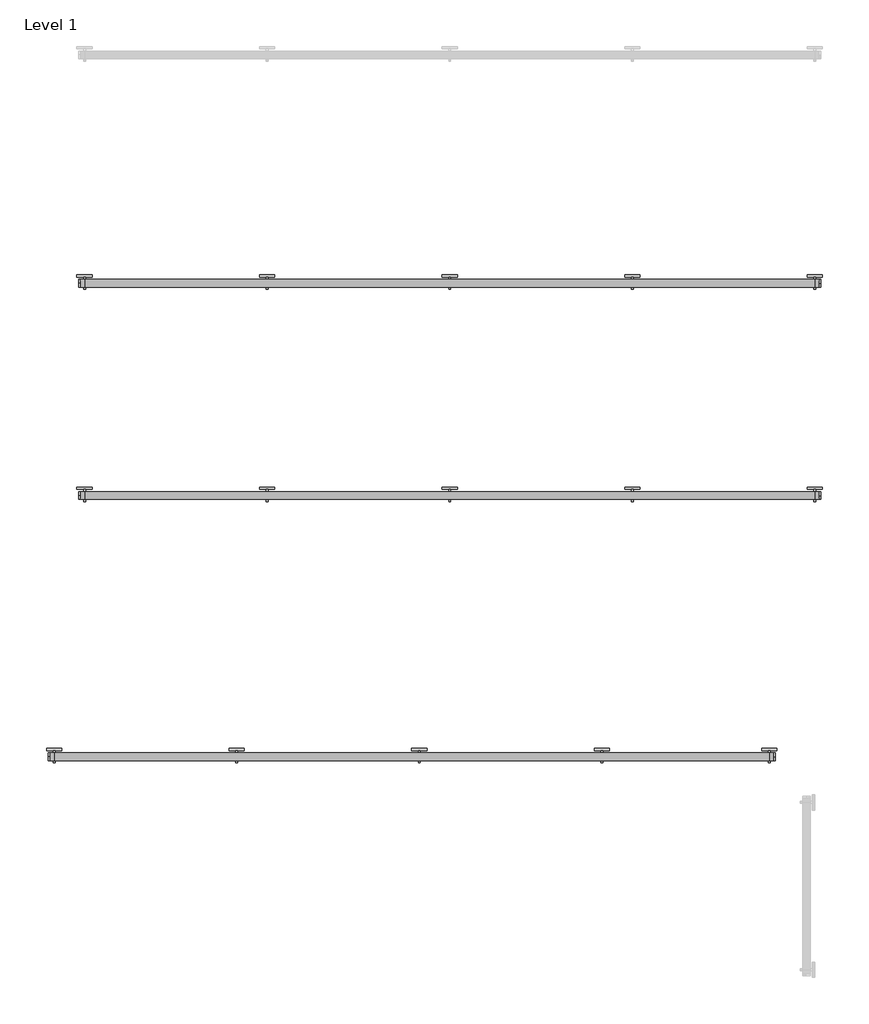
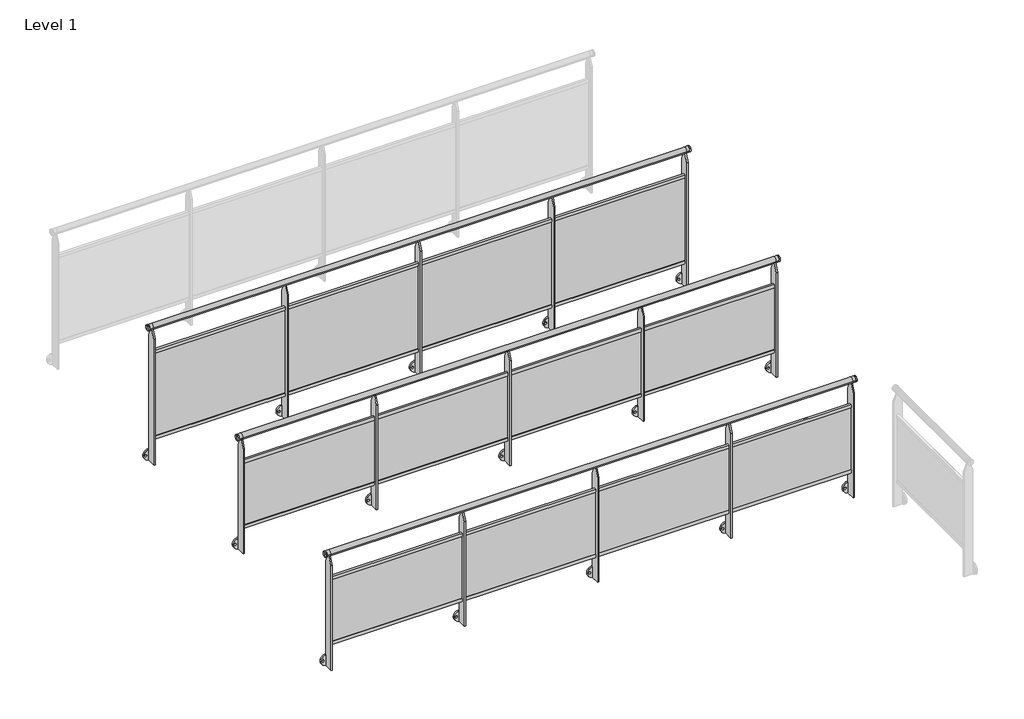
# One storey, part 1 of 14: 3 railings.
"""IFC4 building model written with IfcOpenShell, lengths in millimetres."""

import ifcopenshell
import ifcopenshell.guid

model = None  # the IFC model being written
_history = None  # IfcOwnerHistory: only IFC2X3 demands one
_inside = {}  # id of a spatial element -> (the spatial element, [elements in it])
_under = {}  # id of a project, library or spatial element -> (it, [spatial elements below it])
_declared = {}  # id of a project -> (the project, [libraries it declares])
_typed = {}  # id of a type object -> (the type object, [elements of that type])
_made_of = {}  # id of a material, layer set ... -> (it, [elements and type objects made of it])


def new_model(schema):
    """Start an empty IFC model of exactly this schema.

    Asked for "IFC4X3", IfcOpenShell would pick the latest addendum, in which some entities
    have other attributes; the version numbers below select the first issue.
    IFC2X3 requires an IfcOwnerHistory on every rooted entity: one is made here for all.
    """
    global model, _history
    if schema == "IFC4X3":
        model = ifcopenshell.file(schema_version=(4, 3, 0, 0))
    else:
        model = ifcopenshell.file(schema=schema)
    _inside.clear()
    _under.clear()
    _declared.clear()
    _typed.clear()
    _made_of.clear()
    _history = None
    if model.schema == "IFC2X3":
        org = make("IfcOrganization", Name="unknown")
        user = make(
            "IfcPersonAndOrganization",
            ThePerson=make("IfcPerson", FamilyName="unknown"),
            TheOrganization=org,
        )
        app = make(
            "IfcApplication",
            ApplicationDeveloper=org,
            Version="unknown",
            ApplicationFullName="unknown",
            ApplicationIdentifier="unknown",
        )
        _history = make(
            "IfcOwnerHistory",
            OwningUser=user,
            OwningApplication=app,
            ChangeAction="ADDED",
            CreationDate=0,
        )
    return model


def make(cls, **values):
    """One entity of the class cls with the attributes given. An attribute that is None is left unset."""
    return model.create_entity(
        cls, **{name: value for name, value in values.items() if value is not None}
    )


def rooted(cls, **values):
    """An entity with a GlobalId (a new one), such as an element, a storey or a relation."""
    return make(cls, GlobalId=ifcopenshell.guid.new(), OwnerHistory=_history, **values)


def si_unit(unit_type, name, prefix=None):
    """IfcSIUnit, for example si_unit("LENGTHUNIT", "METRE", prefix="MILLI")."""
    return make("IfcSIUnit", UnitType=unit_type, Prefix=prefix, Name=name)


def assignment(units):
    """IfcUnitAssignment: the units of a project."""
    return None if units is None else make("IfcUnitAssignment", Units=units)


def point(xyz):
    """IfcCartesianPoint."""
    return None if xyz is None else make("IfcCartesianPoint", Coordinates=xyz)


def direction(xyz):
    """IfcDirection."""
    return None if xyz is None else make("IfcDirection", DirectionRatios=xyz)


def frame(location, z_axis=None, x_axis=None):
    """IfcAxis2Placement3D, a coordinate frame: its origin and axes. An axis left out is left unset."""
    return make(
        "IfcAxis2Placement3D",
        Location=point(location),
        Axis=direction(z_axis),
        RefDirection=direction(x_axis),
    )


def frame_2d(location, x_axis=None):
    """IfcAxis2Placement2D, a coordinate frame in the plane: its origin and x axis."""
    return make(
        "IfcAxis2Placement2D", Location=point(location), RefDirection=direction(x_axis)
    )


def origin():
    """The frame at (0, 0, 0) with its axes left unset."""
    return frame((0.0, 0.0, 0.0))


def place(relative_to, where):
    """IfcLocalPlacement: puts the frame where relative to a parent placement (None: the world)."""
    return make(
        "IfcLocalPlacement", PlacementRelTo=relative_to, RelativePlacement=where
    )


def context(
    kind, dimensions, precision=None, world=None, true_north=None, identifier=None
):
    """IfcGeometricRepresentationContext, for example the 3D "Model" context."""
    return make(
        "IfcGeometricRepresentationContext",
        ContextIdentifier=identifier,
        ContextType=kind,
        CoordinateSpaceDimension=dimensions,
        Precision=precision,
        WorldCoordinateSystem=world,
        TrueNorth=true_north,
    )


def project(units=None, contexts=None):
    """IfcProject with its units and contexts."""
    return rooted(
        "IfcProject",
        Name="project",
        RepresentationContexts=contexts,
        UnitsInContext=assignment(units),
    )


def spatial(cls, under=None, at=None, **own):
    """A site, building, storey or space (cls), placed at a placement, below another one or the project."""
    s = rooted(cls, ObjectPlacement=at, **own)
    if under is not None:
        _under.setdefault(under.id(), (under, []))[1].append(s)
    return s


def polyline(points):
    """IfcPolyline through the points."""
    return make("IfcPolyline", Points=[point(p) for p in points])


def circle_curve(where, radius):
    """IfcCircle in the frame where."""
    return make("IfcCircle", Position=where, Radius=radius)


def trimmed(basis, trim1, trim2, sense, master):
    """IfcTrimmedCurve: the piece of a basis curve between two trims."""
    return make(
        "IfcTrimmedCurve",
        BasisCurve=basis,
        Trim1=trim1,
        Trim2=trim2,
        SenseAgreement=sense,
        MasterRepresentation=master,
    )


def segment(curve, same_sense, transition):
    """IfcCompositeCurveSegment."""
    return make(
        "IfcCompositeCurveSegment",
        Transition=transition,
        SameSense=same_sense,
        ParentCurve=curve,
    )


def composite_curve(segments, self_intersect=None):
    """IfcCompositeCurve: segments joined end to end."""
    return make("IfcCompositeCurve", Segments=segments, SelfIntersect=self_intersect)


def outline(outer, holes=None, kind="AREA"):
    """IfcArbitraryClosedProfileDef: a profile drawn as a closed curve; with holes, ...WithVoids."""
    if holes is None:
        return make("IfcArbitraryClosedProfileDef", ProfileType=kind, OuterCurve=outer)
    return make(
        "IfcArbitraryProfileDefWithVoids",
        ProfileType=kind,
        OuterCurve=outer,
        InnerCurves=holes,
    )


def extrude(swept, where, along, depth):
    """IfcExtrudedAreaSolid: the profile swept, set in the frame where, extruded along a direction by depth."""
    return make(
        "IfcExtrudedAreaSolid",
        SweptArea=swept,
        Position=where,
        ExtrudedDirection=direction(along),
        Depth=depth,
    )


def shape(context_of_items, identifier, shape_type, items):
    """IfcShapeRepresentation: the items that make up one representation, for example the "Body"."""
    return make(
        "IfcShapeRepresentation",
        ContextOfItems=context_of_items,
        RepresentationIdentifier=identifier,
        RepresentationType=shape_type,
        Items=items,
    )


def made_of(thing, what):
    """Note that an element or type object is made of a material, layer set ...; save() writes the relation."""
    if what is not None:
        _made_of.setdefault(what.id(), (what, []))[1].append(thing)
    return thing


def element(
    cls,
    number,
    at=None,
    inside=None,
    cuts=None,
    type_object=None,
    material=None,
    context=None,
    identifier="Body",
    shape_type=None,
    held_by="IfcProductDefinitionShape",
    body=None,
    shapes=None,
    **own,
):
    """One element of the class cls, such as IfcWall. Its Tag is "e" and its number.

    at: its placement. inside: the storey or other place that contains it. cuts: it is an
    opening in that element (IfcRelVoidsElement). A single representation is given by context,
    identifier, shape_type and body (its items); several are given by shapes. held_by: the class
    of the entity that holds the representations. save() writes the other relations.
    """
    e = rooted(cls, Tag="e%d" % number, ObjectPlacement=at, **own)
    if body is not None:
        shapes = [shape(context, identifier, shape_type, body)]
    if shapes is not None:
        e.Representation = make(held_by, Representations=shapes)
    if inside is not None:
        _inside.setdefault(inside.id(), (inside, []))[1].append(e)
    if cuts is not None:
        rooted(
            "IfcRelVoidsElement", RelatingBuildingElement=cuts, RelatedOpeningElement=e
        )
    if type_object is not None:
        _typed.setdefault(type_object.id(), (type_object, []))[1].append(e)
    return made_of(e, material)


def aggregate(whole, parts):
    """IfcRelAggregates: a whole, such as a stair, and the parts it consists of."""
    return rooted("IfcRelAggregates", RelatingObject=whole, RelatedObjects=parts)


def save(model, path):
    """Write the relations noted so far, then the file.

    IfcRelAggregates (storeys below a building ...), IfcRelContainedInSpatialStructure (elements
    in a storey), IfcRelDefinesByType, IfcRelAssociatesMaterial and IfcRelDeclares: one each for
    every whole, place, type object, material and project.
    """
    for whole, parts in _under.values():
        aggregate(whole, parts)
    for where, things in _inside.values():
        rooted(
            "IfcRelContainedInSpatialStructure",
            RelatedElements=things,
            RelatingStructure=where,
        )
    for kind, things in _typed.values():
        rooted("IfcRelDefinesByType", RelatedObjects=things, RelatingType=kind)
    for what, things in _made_of.values():
        rooted("IfcRelAssociatesMaterial", RelatedObjects=things, RelatingMaterial=what)
    for by, libraries in _declared.values():
        rooted("IfcRelDeclares", RelatingContext=by, RelatedDefinitions=libraries)
    model.write(path)


def plane_surface(at):
    """IfcPlane: the flat surface through the origin of the frame at, square to its z axis."""
    return make("IfcPlane", Position=at)


def cylinder_surface(at, radius):
    """IfcCylindricalSurface: all points at the distance radius from the z axis of the frame at."""
    return make("IfcCylindricalSurface", Position=at, Radius=radius)


def advanced_brep(points, edges, surfaces, faces):
    """IfcAdvancedBrep: a solid bounded by faces that lie on surfaces and meet in shared edges.

    An edge is (start, end): straight between two places in points (the first is 0);
    or (start, end, curve); or (start, end, curve, False) where it runs against its curve.
    A face is (place in surfaces, loops), or (place, loops, False) where it looks against
    its surface's normal. A loop lists edges by number (the first is 1), with a minus sign
    where the edge is run from its end to its start. The first loop is the outer one.
    """
    corners = [point(p) for p in points]
    vertices = [make("IfcVertexPoint", VertexGeometry=c) for c in corners]
    made = []
    for start, end, *more in edges:
        made.append(
            make(
                "IfcEdgeCurve",
                EdgeStart=vertices[start],
                EdgeEnd=vertices[end],
                EdgeGeometry=more[0] if more else make("IfcPolyline", Points=[corners[start], corners[end]]),
                SameSense=more[1] if len(more) > 1 else True,
            )
        )
    hull = []
    for where, loops, *sense in faces:
        bounds = []
        for j, loop in enumerate(loops):
            ring = [make("IfcOrientedEdge", EdgeElement=made[abs(k) - 1], Orientation=k > 0) for k in loop]
            bounds.append(
                make(
                    "IfcFaceOuterBound" if j == 0 else "IfcFaceBound",
                    Bound=make("IfcEdgeLoop", EdgeList=ring),
                    Orientation=True,
                )
            )
        hull.append(make("IfcAdvancedFace", Bounds=bounds, FaceSurface=surfaces[where], SameSense=sense[0] if sense else True))
    return make("IfcAdvancedBrep", Outer=make("IfcClosedShell", CfsFaces=hull))


model = new_model("IFC4")

# Units and contexts
model_context = context("Model", 3, world=origin())
ifc_project = project(units=[si_unit("LENGTHUNIT", "METRE", prefix="MILLI")], contexts=[model_context])

# Site, building, storey
site = spatial("IfcSite", under=ifc_project)
building = spatial("IfcBuilding", under=site)
storey = spatial("IfcBuildingStorey", under=building, Name="Level 1", Elevation=0.0)

# Railings
placement = place(None, origin())
element("IfcRailing", 1, at=placement, inside=storey, context=model_context, shape_type="SolidModel", body=[
    advanced_brep(
    [(31890.6479588, -13220.9587227, 975.0), (31890.6479588, -13220.9587227, 1000.0), (31890.6479588, -13220.9587227, 950.0), (31900.6479588, -13220.9587227, 950.0), (31900.6479588, -13220.9587227, 1000.0), (31900.6479588, -13220.9587227, 975.0)],
    [
        (0, 1),
        (1, 2, circle_curve(frame((31890.6479588, -13220.9587227, 975.0), z_axis=(-1.0, 0.0, 0.0), x_axis=(0.0, 0.0, 1.0)), 25.0)),
        (2, 0),
        (2, 1, circle_curve(frame((31890.6479588, -13220.9587227, 975.0), z_axis=(-1.0, 0.0, 0.0), x_axis=(0.0, 0.0, 1.0)), 25.0)),
        (3, 4, circle_curve(frame((31900.6479588, -13220.9587227, 975.0), z_axis=(1.0, 0.0, 0.0), x_axis=(0.0, 0.0, 1.0)), 25.0)),
        (4, 5),
        (5, 3),
        (4, 3, circle_curve(frame((31900.6479588, -13220.9587227, 975.0), z_axis=(1.0, 0.0, 0.0), x_axis=(0.0, 0.0, 1.0)), 25.0)),
        (1, 4),
        (3, 2),
    ],
    [
        plane_surface(frame((31890.6479588, -13220.9587227, 975.0), z_axis=(-1.0, 0.0, 0.0), x_axis=(0.0, 0.0, 1.0))),
        plane_surface(frame((31900.6479588, -13220.9587227, 975.0), z_axis=(1.0, 0.0, 0.0), x_axis=(0.0, 0.0, 1.0))),
        cylinder_surface(frame((31875.6479588, -13220.9587227, 975.0), z_axis=(-1.0, 0.0, 0.0), x_axis=(0.0, 0.0, 1.0)), 25.0),
    ],
    [
        (0, [[1, 2, 3]]),
        (0, [[-3, 4, -1]]),
        (1, [[5, 6, 7]]),
        (1, [[8, -7, -6]]),
        (2, [[-2, 9, -5, 10]]),
        (2, [[-4, -10, -8, -9]]),
    ],
),
    advanced_brep(
    [(27130.6479588, -13220.9587227, 975.0), (27130.6479588, -13220.9587227, 1000.0), (27130.6479588, -13220.9587227, 950.0), (27120.6479588, -13220.9587227, 950.0), (27120.6479588, -13220.9587227, 1000.0), (27120.6479588, -13220.9587227, 975.0)],
    [
        (0, 1),
        (1, 2, circle_curve(frame((27130.6479588, -13220.9587227, 975.0), z_axis=(1.0, 0.0, 0.0), x_axis=(0.0, 0.0, 1.0)), 25.0)),
        (2, 0),
        (2, 1, circle_curve(frame((27130.6479588, -13220.9587227, 975.0), z_axis=(1.0, 0.0, 0.0), x_axis=(0.0, 0.0, 1.0)), 25.0)),
        (3, 4, circle_curve(frame((27120.6479588, -13220.9587227, 975.0), z_axis=(-1.0, 0.0, 0.0), x_axis=(0.0, 0.0, 1.0)), 25.0)),
        (4, 5),
        (5, 3),
        (4, 3, circle_curve(frame((27120.6479588, -13220.9587227, 975.0), z_axis=(-1.0, 0.0, 0.0), x_axis=(0.0, 0.0, 1.0)), 25.0)),
        (1, 4),
        (3, 2),
    ],
    [
        plane_surface(frame((27130.6479588, -13220.9587227, 975.0), z_axis=(1.0, 0.0, 0.0), x_axis=(0.0, 0.0, 1.0))),
        plane_surface(frame((27120.6479588, -13220.9587227, 975.0), z_axis=(-1.0, 0.0, 0.0), x_axis=(0.0, 0.0, 1.0))),
        cylinder_surface(frame((27145.6479588, -13220.9587227, 975.0), z_axis=(1.0, 0.0, 0.0), x_axis=(0.0, 0.0, 1.0)), 25.0),
    ],
    [
        (0, [[1, 2, 3]]),
        (0, [[-3, 4, -1]]),
        (1, [[5, 6, 7]]),
        (1, [[8, -7, -6]]),
        (2, [[-2, 9, -5, 10]]),
        (2, [[-4, -10, -8, -9]]),
    ],
),
    advanced_brep(
    [(27130.6479588, -13245.9587227, 975.0), (27130.6479588, -13195.9587227, 975.0), (27160.6479588, -13245.9587227, 975.0), (27160.6479588, -13195.9587227, 975.0), (31860.6479588, -13245.9587227, 975.0), (31860.6479588, -13195.9587227, 975.0), (31890.6479588, -13245.9587227, 975.0), (31890.6479588, -13195.9587227, 975.0)],
    [
        (0, 1, circle_curve(frame((27130.6479588, -13220.9587227, 975.0), z_axis=(-1.0, 0.0, 0.0), x_axis=(0.0, 1.0, 0.0)), 25.0)),
        (1, 0, circle_curve(frame((27130.6479588, -13220.9587227, 975.0), z_axis=(-1.0, 0.0, 0.0), x_axis=(0.0, 1.0, 0.0)), 25.0)),
        (0, 2),
        (2, 3, circle_curve(frame((27160.6479588, -13220.9587227, 975.0), z_axis=(-1.0, 0.0, 0.0), x_axis=(0.0, 1.0, 0.0)), 25.0)),
        (3, 1),
        (3, 2, circle_curve(frame((27160.6479588, -13220.9587227, 975.0), z_axis=(-1.0, 0.0, 0.0), x_axis=(0.0, 1.0, 0.0)), 25.0)),
        (2, 4),
        (4, 5, circle_curve(frame((31860.6479588, -13220.9587227, 975.0), z_axis=(-1.0, 0.0, 0.0), x_axis=(0.0, 1.0, 0.0)), 25.0)),
        (5, 3),
        (5, 4, circle_curve(frame((31860.6479588, -13220.9587227, 975.0), z_axis=(-1.0, 0.0, 0.0), x_axis=(0.0, 1.0, 0.0)), 25.0)),
        (6, 7, circle_curve(frame((31890.6479588, -13220.9587227, 975.0), z_axis=(1.0, 0.0, 0.0), x_axis=(0.0, 1.0, 0.0)), 25.0)),
        (7, 6, circle_curve(frame((31890.6479588, -13220.9587227, 975.0), z_axis=(1.0, 0.0, 0.0), x_axis=(0.0, 1.0, 0.0)), 25.0)),
        (4, 6),
        (7, 5),
    ],
    [
        plane_surface(frame((27130.6479588, -13220.9587227, 1000.0), z_axis=(-1.0, 0.0, 0.0), x_axis=(0.0, 1.0, 0.0))),
        cylinder_surface(frame((27130.6479588, -13220.9587227, 975.0), z_axis=(-1.0, 0.0, 0.0), x_axis=(0.0, 1.0, 0.0)), 25.0),
        cylinder_surface(frame((27160.6479588, -13220.9587227, 975.0), z_axis=(-1.0, 0.0, 0.0), x_axis=(0.0, 1.0, 0.0)), 25.0),
        plane_surface(frame((31890.6479588, -13220.9587227, 1000.0), z_axis=(1.0, 0.0, 0.0), x_axis=(0.0, 1.0, 0.0))),
        cylinder_surface(frame((31860.6479588, -13220.9587227, 975.0), z_axis=(-1.0, 0.0, 0.0), x_axis=(0.0, 1.0, 0.0)), 25.0),
    ],
    [
        (0, [[1, 2]]),
        (1, [[-1, 3, 4, 5]]),
        (1, [[-2, -5, 6, -3]]),
        (2, [[-4, 7, 8, 9]]),
        (2, [[-6, -9, 10, -7]]),
        (3, [[11, 12]]),
        (4, [[-8, 13, -12, 14]]),
        (4, [[-10, -14, -11, -13]]),
    ],
),
    extrude(outline(polyline([(-13233.9587227, 750.0), (-13213.9587227, 750.0), (-13213.9587227, 720.0), (-13216.9587227, 720.0), (-13216.9587227, 747.0), (-13230.9587227, 747.0), (-13230.9587227, 720.0), (-13233.9587227, 720.0), (-13233.9587227, 750.0)])), frame((27160.6479588, 0.0, 0.0), z_axis=(1.0, 0.0, 0.0), x_axis=(0.0, 1.0, 0.0)), (0.0, 0.0, 1.0), 4700.0),
    extrude(outline(polyline([(27160.6479588, -13227.9587227), (27160.6479588, -13219.9587227), (31860.6479588, -13219.9587227), (31860.6479588, -13227.9587227), (27160.6479588, -13227.9587227)])), frame((0.0, 0.0, 130.0), z_axis=(0.0, 0.0, 1.0), x_axis=(1.0, 0.0, 0.0)), (0.0, 0.0, 1.0), 590.0),
    extrude(outline(polyline([(-13233.9587227, 100.0), (-13233.9587227, 130.0), (-13230.9587227, 130.0), (-13230.9587227, 103.0), (-13216.9587227, 103.0), (-13216.9587227, 130.0), (-13213.9587227, 130.0), (-13213.9587227, 100.0), (-13233.9587227, 100.0)])), frame((27160.6479588, 0.0, 0.0), z_axis=(1.0, 0.0, 0.0), x_axis=(0.0, 1.0, 0.0)), (0.0, 0.0, 1.0), 4700.0),
    extrude(outline(polyline([(-13260.9587227, -120.0), (-13260.9587227, 875.0), (-13230.9587227, 950.0), (-13210.9587227, 950.0), (-13180.9587227, 875.0), (-13180.9587227, -120.0), (-13260.9587227, -120.0)])), frame((30754.6479588, 0.0, 0.0), z_axis=(1.0, 0.0, 0.0), x_axis=(0.0, 1.0, 0.0)), (0.0, 0.0, 1.0), 12.0),
    extrude(outline(composite_curve([segment(trimmed(circle_curve(frame_2d((-70.0, 30760.6479588)), 50.0), [point((-70.0, 30810.6479588))], [point((-70.0, 30710.6479588))], False, "CARTESIAN"), True, "CONTINUOUS"), segment(trimmed(circle_curve(frame_2d((-70.0, 30760.6479588)), 50.0), [point((-70.0, 30710.6479588))], [point((-70.0, 30810.6479588))], False, "CARTESIAN"), True, "CONTINUOUS")], self_intersect=False), holes=[composite_curve([segment(trimmed(circle_curve(frame_2d((-70.0, 30791.6479588)), 9.0), [point((-70.0, 30800.6479588))], [point((-70.0, 30782.6479588))], True, "CARTESIAN"), True, "CONTINUOUS"), segment(trimmed(circle_curve(frame_2d((-70.0, 30791.6479588)), 9.0), [point((-70.0, 30782.6479588))], [point((-70.0, 30800.6479588))], True, "CARTESIAN"), True, "CONTINUOUS")], self_intersect=False), composite_curve([segment(trimmed(circle_curve(frame_2d((-70.0, 30729.6479588)), 9.0), [point((-70.0, 30738.6479588))], [point((-70.0, 30720.6479588))], True, "CARTESIAN"), True, "CONTINUOUS"), segment(trimmed(circle_curve(frame_2d((-70.0, 30729.6479588)), 9.0), [point((-70.0, 30720.6479588))], [point((-70.0, 30738.6479588))], True, "CARTESIAN"), True, "CONTINUOUS")], self_intersect=False)]), frame((0.0, -13180.9587227, 0.0), z_axis=(0.0, 1.0, 0.0), x_axis=(0.0, 0.0, 1.0)), (0.0, 0.0, 1.0), 15.0),
    extrude(outline(polyline([(-13260.9587227, -120.0), (-13260.9587227, 875.0), (-13230.9587227, 950.0), (-13210.9587227, 950.0), (-13180.9587227, 875.0), (-13180.9587227, -120.0), (-13260.9587227, -120.0)])), frame((29554.6479588, 0.0, 0.0), z_axis=(1.0, 0.0, 0.0), x_axis=(0.0, 1.0, 0.0)), (0.0, 0.0, 1.0), 12.0),
    extrude(outline(composite_curve([segment(trimmed(circle_curve(frame_2d((-70.0, 29560.6479588)), 50.0), [point((-70.0, 29610.6479588))], [point((-70.0, 29510.6479588))], False, "CARTESIAN"), True, "CONTINUOUS"), segment(trimmed(circle_curve(frame_2d((-70.0, 29560.6479588)), 50.0), [point((-70.0, 29510.6479588))], [point((-70.0, 29610.6479588))], False, "CARTESIAN"), True, "CONTINUOUS")], self_intersect=False), holes=[composite_curve([segment(trimmed(circle_curve(frame_2d((-70.0, 29591.6479588)), 9.0), [point((-70.0, 29600.6479588))], [point((-70.0, 29582.6479588))], True, "CARTESIAN"), True, "CONTINUOUS"), segment(trimmed(circle_curve(frame_2d((-70.0, 29591.6479588)), 9.0), [point((-70.0, 29582.6479588))], [point((-70.0, 29600.6479588))], True, "CARTESIAN"), True, "CONTINUOUS")], self_intersect=False), composite_curve([segment(trimmed(circle_curve(frame_2d((-70.0, 29529.6479588)), 9.0), [point((-70.0, 29538.6479588))], [point((-70.0, 29520.6479588))], True, "CARTESIAN"), True, "CONTINUOUS"), segment(trimmed(circle_curve(frame_2d((-70.0, 29529.6479588)), 9.0), [point((-70.0, 29520.6479588))], [point((-70.0, 29538.6479588))], True, "CARTESIAN"), True, "CONTINUOUS")], self_intersect=False)]), frame((0.0, -13180.9587227, 0.0), z_axis=(0.0, 1.0, 0.0), x_axis=(0.0, 0.0, 1.0)), (0.0, 0.0, 1.0), 15.0),
    extrude(outline(polyline([(-13260.9587227, -120.0), (-13260.9587227, 875.0), (-13230.9587227, 950.0), (-13210.9587227, 950.0), (-13180.9587227, 875.0), (-13180.9587227, -120.0), (-13260.9587227, -120.0)])), frame((28354.6479588, 0.0, 0.0), z_axis=(1.0, 0.0, 0.0), x_axis=(0.0, 1.0, 0.0)), (0.0, 0.0, 1.0), 12.0),
    extrude(outline(composite_curve([segment(trimmed(circle_curve(frame_2d((-70.0, 28360.6479588)), 50.0), [point((-70.0, 28410.6479588))], [point((-70.0, 28310.6479588))], False, "CARTESIAN"), True, "CONTINUOUS"), segment(trimmed(circle_curve(frame_2d((-70.0, 28360.6479588)), 50.0), [point((-70.0, 28310.6479588))], [point((-70.0, 28410.6479588))], False, "CARTESIAN"), True, "CONTINUOUS")], self_intersect=False), holes=[composite_curve([segment(trimmed(circle_curve(frame_2d((-70.0, 28391.6479588)), 9.0), [point((-70.0, 28400.6479588))], [point((-70.0, 28382.6479588))], True, "CARTESIAN"), True, "CONTINUOUS"), segment(trimmed(circle_curve(frame_2d((-70.0, 28391.6479588)), 9.0), [point((-70.0, 28382.6479588))], [point((-70.0, 28400.6479588))], True, "CARTESIAN"), True, "CONTINUOUS")], self_intersect=False), composite_curve([segment(trimmed(circle_curve(frame_2d((-70.0, 28329.6479588)), 9.0), [point((-70.0, 28338.6479588))], [point((-70.0, 28320.6479588))], True, "CARTESIAN"), True, "CONTINUOUS"), segment(trimmed(circle_curve(frame_2d((-70.0, 28329.6479588)), 9.0), [point((-70.0, 28320.6479588))], [point((-70.0, 28338.6479588))], True, "CARTESIAN"), True, "CONTINUOUS")], self_intersect=False)]), frame((0.0, -13180.9587227, 0.0), z_axis=(0.0, 1.0, 0.0), x_axis=(0.0, 0.0, 1.0)), (0.0, 0.0, 1.0), 15.0),
    extrude(outline(polyline([(-13260.9587227, -120.0), (-13260.9587227, 875.0), (-13230.9587227, 950.0), (-13210.9587227, 950.0), (-13180.9587227, 875.0), (-13180.9587227, -120.0), (-13260.9587227, -120.0)])), frame((31854.6479588, 0.0, 0.0), z_axis=(1.0, 0.0, 0.0), x_axis=(0.0, 1.0, 0.0)), (0.0, 0.0, 1.0), 12.0),
    extrude(outline(composite_curve([segment(trimmed(circle_curve(frame_2d((-70.0, 31860.6479588)), 50.0), [point((-70.0, 31910.6479588))], [point((-70.0, 31810.6479588))], False, "CARTESIAN"), True, "CONTINUOUS"), segment(trimmed(circle_curve(frame_2d((-70.0, 31860.6479588)), 50.0), [point((-70.0, 31810.6479588))], [point((-70.0, 31910.6479588))], False, "CARTESIAN"), True, "CONTINUOUS")], self_intersect=False), holes=[composite_curve([segment(trimmed(circle_curve(frame_2d((-70.0, 31891.6479588)), 9.0), [point((-70.0, 31900.6479588))], [point((-70.0, 31882.6479588))], True, "CARTESIAN"), True, "CONTINUOUS"), segment(trimmed(circle_curve(frame_2d((-70.0, 31891.6479588)), 9.0), [point((-70.0, 31882.6479588))], [point((-70.0, 31900.6479588))], True, "CARTESIAN"), True, "CONTINUOUS")], self_intersect=False), composite_curve([segment(trimmed(circle_curve(frame_2d((-70.0, 31829.6479588)), 9.0), [point((-70.0, 31838.6479588))], [point((-70.0, 31820.6479588))], True, "CARTESIAN"), True, "CONTINUOUS"), segment(trimmed(circle_curve(frame_2d((-70.0, 31829.6479588)), 9.0), [point((-70.0, 31820.6479588))], [point((-70.0, 31838.6479588))], True, "CARTESIAN"), True, "CONTINUOUS")], self_intersect=False)]), frame((0.0, -13180.9587227, 0.0), z_axis=(0.0, 1.0, 0.0), x_axis=(0.0, 0.0, 1.0)), (0.0, 0.0, 1.0), 15.0),
    extrude(outline(polyline([(-13260.9587227, -120.0), (-13260.9587227, 875.0), (-13230.9587227, 950.0), (-13210.9587227, 950.0), (-13180.9587227, 875.0), (-13180.9587227, -120.0), (-13260.9587227, -120.0)])), frame((27154.6479588, 0.0, 0.0), z_axis=(1.0, 0.0, 0.0), x_axis=(0.0, 1.0, 0.0)), (0.0, 0.0, 1.0), 12.0),
    extrude(outline(composite_curve([segment(trimmed(circle_curve(frame_2d((-70.0, 27160.6479588)), 50.0), [point((-70.0, 27210.6479588))], [point((-70.0, 27110.6479588))], False, "CARTESIAN"), True, "CONTINUOUS"), segment(trimmed(circle_curve(frame_2d((-70.0, 27160.6479588)), 50.0), [point((-70.0, 27110.6479588))], [point((-70.0, 27210.6479588))], False, "CARTESIAN"), True, "CONTINUOUS")], self_intersect=False), holes=[composite_curve([segment(trimmed(circle_curve(frame_2d((-70.0, 27191.6479588)), 9.0), [point((-70.0, 27200.6479588))], [point((-70.0, 27182.6479588))], True, "CARTESIAN"), True, "CONTINUOUS"), segment(trimmed(circle_curve(frame_2d((-70.0, 27191.6479588)), 9.0), [point((-70.0, 27182.6479588))], [point((-70.0, 27200.6479588))], True, "CARTESIAN"), True, "CONTINUOUS")], self_intersect=False), composite_curve([segment(trimmed(circle_curve(frame_2d((-70.0, 27129.6479588)), 9.0), [point((-70.0, 27138.6479588))], [point((-70.0, 27120.6479588))], True, "CARTESIAN"), True, "CONTINUOUS"), segment(trimmed(circle_curve(frame_2d((-70.0, 27129.6479588)), 9.0), [point((-70.0, 27120.6479588))], [point((-70.0, 27138.6479588))], True, "CARTESIAN"), True, "CONTINUOUS")], self_intersect=False)]), frame((0.0, -13180.9587227, 0.0), z_axis=(0.0, 1.0, 0.0), x_axis=(0.0, 0.0, 1.0)), (0.0, 0.0, 1.0), 15.0),
])
element("IfcRailing", 2, at=placement, inside=storey, context=model_context, shape_type="SolidModel", body=[
    advanced_brep(
    [(32190.6479588, -10110.846781, 1175.0), (32190.6479588, -10110.846781, 1200.0), (32190.6479588, -10110.846781, 1150.0), (32200.6479588, -10110.846781, 1150.0), (32200.6479588, -10110.846781, 1200.0), (32200.6479588, -10110.846781, 1175.0)],
    [
        (0, 1),
        (1, 2, circle_curve(frame((32190.6479588, -10110.846781, 1175.0), z_axis=(-1.0, 0.0, 0.0), x_axis=(0.0, 0.0, 1.0)), 25.0)),
        (2, 0),
        (2, 1, circle_curve(frame((32190.6479588, -10110.846781, 1175.0), z_axis=(-1.0, 0.0, 0.0), x_axis=(0.0, 0.0, 1.0)), 25.0)),
        (3, 4, circle_curve(frame((32200.6479588, -10110.846781, 1175.0), z_axis=(1.0, 0.0, 0.0), x_axis=(0.0, 0.0, 1.0)), 25.0)),
        (4, 5),
        (5, 3),
        (4, 3, circle_curve(frame((32200.6479588, -10110.846781, 1175.0), z_axis=(1.0, 0.0, 0.0), x_axis=(0.0, 0.0, 1.0)), 25.0)),
        (1, 4),
        (3, 2),
    ],
    [
        plane_surface(frame((32190.6479588, -10110.846781, 1175.0), z_axis=(-1.0, 0.0, 0.0), x_axis=(0.0, 0.0, 1.0))),
        plane_surface(frame((32200.6479588, -10110.846781, 1175.0), z_axis=(1.0, 0.0, 0.0), x_axis=(0.0, 0.0, 1.0))),
        cylinder_surface(frame((32175.6479588, -10110.846781, 1175.0), z_axis=(-1.0, 0.0, 0.0), x_axis=(0.0, 0.0, 1.0)), 25.0),
    ],
    [
        (0, [[1, 2, 3]]),
        (0, [[-3, 4, -1]]),
        (1, [[5, 6, 7]]),
        (1, [[8, -7, -6]]),
        (2, [[-2, 9, -5, 10]]),
        (2, [[-4, -10, -8, -9]]),
    ],
),
    advanced_brep(
    [(27330.6479588, -10110.846781, 1175.0), (27330.6479588, -10110.846781, 1200.0), (27330.6479588, -10110.846781, 1150.0), (27320.6479588, -10110.846781, 1150.0), (27320.6479588, -10110.846781, 1200.0), (27320.6479588, -10110.846781, 1175.0)],
    [
        (0, 1),
        (1, 2, circle_curve(frame((27330.6479588, -10110.846781, 1175.0), z_axis=(1.0, 0.0, 0.0), x_axis=(0.0, 0.0, 1.0)), 25.0)),
        (2, 0),
        (2, 1, circle_curve(frame((27330.6479588, -10110.846781, 1175.0), z_axis=(1.0, 0.0, 0.0), x_axis=(0.0, 0.0, 1.0)), 25.0)),
        (3, 4, circle_curve(frame((27320.6479588, -10110.846781, 1175.0), z_axis=(-1.0, 0.0, 0.0), x_axis=(0.0, 0.0, 1.0)), 25.0)),
        (4, 5),
        (5, 3),
        (4, 3, circle_curve(frame((27320.6479588, -10110.846781, 1175.0), z_axis=(-1.0, 0.0, 0.0), x_axis=(0.0, 0.0, 1.0)), 25.0)),
        (1, 4),
        (3, 2),
    ],
    [
        plane_surface(frame((27330.6479588, -10110.846781, 1175.0), z_axis=(1.0, 0.0, 0.0), x_axis=(0.0, 0.0, 1.0))),
        plane_surface(frame((27320.6479588, -10110.846781, 1175.0), z_axis=(-1.0, 0.0, 0.0), x_axis=(0.0, 0.0, 1.0))),
        cylinder_surface(frame((27345.6479588, -10110.846781, 1175.0), z_axis=(1.0, 0.0, 0.0), x_axis=(0.0, 0.0, 1.0)), 25.0),
    ],
    [
        (0, [[1, 2, 3]]),
        (0, [[-3, 4, -1]]),
        (1, [[5, 6, 7]]),
        (1, [[8, -7, -6]]),
        (2, [[-2, 9, -5, 10]]),
        (2, [[-4, -10, -8, -9]]),
    ],
),
    advanced_brep(
    [(27330.6479588, -10135.846781, 1175.0), (27330.6479588, -10085.846781, 1175.0), (27360.6479588, -10135.846781, 1175.0), (27360.6479588, -10085.846781, 1175.0), (32160.6479588, -10135.846781, 1175.0), (32160.6479588, -10085.846781, 1175.0), (32190.6479588, -10135.846781, 1175.0), (32190.6479588, -10085.846781, 1175.0)],
    [
        (0, 1, circle_curve(frame((27330.6479588, -10110.846781, 1175.0), z_axis=(-1.0, 0.0, 0.0), x_axis=(0.0, 1.0, 0.0)), 25.0)),
        (1, 0, circle_curve(frame((27330.6479588, -10110.846781, 1175.0), z_axis=(-1.0, 0.0, 0.0), x_axis=(0.0, 1.0, 0.0)), 25.0)),
        (0, 2),
        (2, 3, circle_curve(frame((27360.6479588, -10110.846781, 1175.0), z_axis=(-1.0, 0.0, 0.0), x_axis=(0.0, 1.0, 0.0)), 25.0)),
        (3, 1),
        (3, 2, circle_curve(frame((27360.6479588, -10110.846781, 1175.0), z_axis=(-1.0, 0.0, 0.0), x_axis=(0.0, 1.0, 0.0)), 25.0)),
        (2, 4),
        (4, 5, circle_curve(frame((32160.6479588, -10110.846781, 1175.0), z_axis=(-1.0, 0.0, 0.0), x_axis=(0.0, 1.0, 0.0)), 25.0)),
        (5, 3),
        (5, 4, circle_curve(frame((32160.6479588, -10110.846781, 1175.0), z_axis=(-1.0, 0.0, 0.0), x_axis=(0.0, 1.0, 0.0)), 25.0)),
        (6, 7, circle_curve(frame((32190.6479588, -10110.846781, 1175.0), z_axis=(1.0, 0.0, 0.0), x_axis=(0.0, 1.0, 0.0)), 25.0)),
        (7, 6, circle_curve(frame((32190.6479588, -10110.846781, 1175.0), z_axis=(1.0, 0.0, 0.0), x_axis=(0.0, 1.0, 0.0)), 25.0)),
        (4, 6),
        (7, 5),
    ],
    [
        plane_surface(frame((27330.6479588, -10110.846781, 1200.0), z_axis=(-1.0, 0.0, 0.0), x_axis=(0.0, 1.0, 0.0))),
        cylinder_surface(frame((27330.6479588, -10110.846781, 1175.0), z_axis=(-1.0, 0.0, 0.0), x_axis=(0.0, 1.0, 0.0)), 25.0),
        cylinder_surface(frame((27360.6479588, -10110.846781, 1175.0), z_axis=(-1.0, 0.0, 0.0), x_axis=(0.0, 1.0, 0.0)), 25.0),
        plane_surface(frame((32190.6479588, -10110.846781, 1200.0), z_axis=(1.0, 0.0, 0.0), x_axis=(0.0, 1.0, 0.0))),
        cylinder_surface(frame((32160.6479588, -10110.846781, 1175.0), z_axis=(-1.0, 0.0, 0.0), x_axis=(0.0, 1.0, 0.0)), 25.0),
    ],
    [
        (0, [[1, 2]]),
        (1, [[-1, 3, 4, 5]]),
        (1, [[-2, -5, 6, -3]]),
        (2, [[-4, 7, 8, 9]]),
        (2, [[-6, -9, 10, -7]]),
        (3, [[11, 12]]),
        (4, [[-8, 13, -12, 14]]),
        (4, [[-10, -14, -11, -13]]),
    ],
),
    extrude(outline(polyline([(-10123.846781, 950.0), (-10103.846781, 950.0), (-10103.846781, 920.0), (-10106.846781, 920.0), (-10106.846781, 947.0), (-10120.846781, 947.0), (-10120.846781, 920.0), (-10123.846781, 920.0), (-10123.846781, 950.0)])), frame((27360.6479588, 0.0, 0.0), z_axis=(1.0, 0.0, 0.0), x_axis=(0.0, 1.0, 0.0)), (0.0, 0.0, 1.0), 4800.0),
    extrude(outline(polyline([(27360.6479588, -10117.846781), (27360.6479588, -10109.846781), (32160.6479588, -10109.846781), (32160.6479588, -10117.846781), (27360.6479588, -10117.846781)])), frame((0.0, 0.0, 130.0), z_axis=(0.0, 0.0, 1.0), x_axis=(1.0, 0.0, 0.0)), (0.0, 0.0, 1.0), 790.0),
    extrude(outline(polyline([(-10123.846781, 100.0), (-10123.846781, 130.0), (-10120.846781, 130.0), (-10120.846781, 103.0), (-10106.846781, 103.0), (-10106.846781, 130.0), (-10103.846781, 130.0), (-10103.846781, 100.0), (-10123.846781, 100.0)])), frame((27360.6479588, 0.0, 0.0), z_axis=(1.0, 0.0, 0.0), x_axis=(0.0, 1.0, 0.0)), (0.0, 0.0, 1.0), 4800.0),
    extrude(outline(polyline([(-10150.846781, -120.0), (-10150.846781, 1075.0), (-10120.846781, 1150.0), (-10100.846781, 1150.0), (-10070.846781, 1075.0), (-10070.846781, -120.0), (-10150.846781, -120.0)])), frame((30954.6479588, 0.0, 0.0), z_axis=(1.0, 0.0, 0.0), x_axis=(0.0, 1.0, 0.0)), (0.0, 0.0, 1.0), 12.0),
    extrude(outline(composite_curve([segment(trimmed(circle_curve(frame_2d((-70.0, 30960.6479588)), 50.0), [point((-70.0, 31010.6479588))], [point((-70.0, 30910.6479588))], False, "CARTESIAN"), True, "CONTINUOUS"), segment(trimmed(circle_curve(frame_2d((-70.0, 30960.6479588)), 50.0), [point((-70.0, 30910.6479588))], [point((-70.0, 31010.6479588))], False, "CARTESIAN"), True, "CONTINUOUS")], self_intersect=False), holes=[composite_curve([segment(trimmed(circle_curve(frame_2d((-70.0, 30991.6479588)), 9.0), [point((-70.0, 31000.6479588))], [point((-70.0, 30982.6479588))], True, "CARTESIAN"), True, "CONTINUOUS"), segment(trimmed(circle_curve(frame_2d((-70.0, 30991.6479588)), 9.0), [point((-70.0, 30982.6479588))], [point((-70.0, 31000.6479588))], True, "CARTESIAN"), True, "CONTINUOUS")], self_intersect=False), composite_curve([segment(trimmed(circle_curve(frame_2d((-70.0, 30929.6479588)), 9.0), [point((-70.0, 30938.6479588))], [point((-70.0, 30920.6479588))], True, "CARTESIAN"), True, "CONTINUOUS"), segment(trimmed(circle_curve(frame_2d((-70.0, 30929.6479588)), 9.0), [point((-70.0, 30920.6479588))], [point((-70.0, 30938.6479588))], True, "CARTESIAN"), True, "CONTINUOUS")], self_intersect=False)]), frame((0.0, -10070.846781, 0.0), z_axis=(0.0, 1.0, 0.0), x_axis=(0.0, 0.0, 1.0)), (0.0, 0.0, 1.0), 15.0),
    extrude(outline(polyline([(-10150.846781, -120.0), (-10150.846781, 1075.0), (-10120.846781, 1150.0), (-10100.846781, 1150.0), (-10070.846781, 1075.0), (-10070.846781, -120.0), (-10150.846781, -120.0)])), frame((29754.6479588, 0.0, 0.0), z_axis=(1.0, 0.0, 0.0), x_axis=(0.0, 1.0, 0.0)), (0.0, 0.0, 1.0), 12.0),
    extrude(outline(composite_curve([segment(trimmed(circle_curve(frame_2d((-70.0, 29760.6479588)), 50.0), [point((-70.0, 29810.6479588))], [point((-70.0, 29710.6479588))], False, "CARTESIAN"), True, "CONTINUOUS"), segment(trimmed(circle_curve(frame_2d((-70.0, 29760.6479588)), 50.0), [point((-70.0, 29710.6479588))], [point((-70.0, 29810.6479588))], False, "CARTESIAN"), True, "CONTINUOUS")], self_intersect=False), holes=[composite_curve([segment(trimmed(circle_curve(frame_2d((-70.0, 29791.6479588)), 9.0), [point((-70.0, 29800.6479588))], [point((-70.0, 29782.6479588))], True, "CARTESIAN"), True, "CONTINUOUS"), segment(trimmed(circle_curve(frame_2d((-70.0, 29791.6479588)), 9.0), [point((-70.0, 29782.6479588))], [point((-70.0, 29800.6479588))], True, "CARTESIAN"), True, "CONTINUOUS")], self_intersect=False), composite_curve([segment(trimmed(circle_curve(frame_2d((-70.0, 29729.6479588)), 9.0), [point((-70.0, 29738.6479588))], [point((-70.0, 29720.6479588))], True, "CARTESIAN"), True, "CONTINUOUS"), segment(trimmed(circle_curve(frame_2d((-70.0, 29729.6479588)), 9.0), [point((-70.0, 29720.6479588))], [point((-70.0, 29738.6479588))], True, "CARTESIAN"), True, "CONTINUOUS")], self_intersect=False)]), frame((0.0, -10070.846781, 0.0), z_axis=(0.0, 1.0, 0.0), x_axis=(0.0, 0.0, 1.0)), (0.0, 0.0, 1.0), 15.0),
    extrude(outline(polyline([(-10150.846781, -120.0), (-10150.846781, 1075.0), (-10120.846781, 1150.0), (-10100.846781, 1150.0), (-10070.846781, 1075.0), (-10070.846781, -120.0), (-10150.846781, -120.0)])), frame((28554.6479588, 0.0, 0.0), z_axis=(1.0, 0.0, 0.0), x_axis=(0.0, 1.0, 0.0)), (0.0, 0.0, 1.0), 12.0),
    extrude(outline(composite_curve([segment(trimmed(circle_curve(frame_2d((-70.0, 28560.6479588)), 50.0), [point((-70.0, 28610.6479588))], [point((-70.0, 28510.6479588))], False, "CARTESIAN"), True, "CONTINUOUS"), segment(trimmed(circle_curve(frame_2d((-70.0, 28560.6479588)), 50.0), [point((-70.0, 28510.6479588))], [point((-70.0, 28610.6479588))], False, "CARTESIAN"), True, "CONTINUOUS")], self_intersect=False), holes=[composite_curve([segment(trimmed(circle_curve(frame_2d((-70.0, 28591.6479588)), 9.0), [point((-70.0, 28600.6479588))], [point((-70.0, 28582.6479588))], True, "CARTESIAN"), True, "CONTINUOUS"), segment(trimmed(circle_curve(frame_2d((-70.0, 28591.6479588)), 9.0), [point((-70.0, 28582.6479588))], [point((-70.0, 28600.6479588))], True, "CARTESIAN"), True, "CONTINUOUS")], self_intersect=False), composite_curve([segment(trimmed(circle_curve(frame_2d((-70.0, 28529.6479588)), 9.0), [point((-70.0, 28538.6479588))], [point((-70.0, 28520.6479588))], True, "CARTESIAN"), True, "CONTINUOUS"), segment(trimmed(circle_curve(frame_2d((-70.0, 28529.6479588)), 9.0), [point((-70.0, 28520.6479588))], [point((-70.0, 28538.6479588))], True, "CARTESIAN"), True, "CONTINUOUS")], self_intersect=False)]), frame((0.0, -10070.846781, 0.0), z_axis=(0.0, 1.0, 0.0), x_axis=(0.0, 0.0, 1.0)), (0.0, 0.0, 1.0), 15.0),
    extrude(outline(polyline([(-10150.846781, -120.0), (-10150.846781, 1075.0), (-10120.846781, 1150.0), (-10100.846781, 1150.0), (-10070.846781, 1075.0), (-10070.846781, -120.0), (-10150.846781, -120.0)])), frame((32154.6479588, 0.0, 0.0), z_axis=(1.0, 0.0, 0.0), x_axis=(0.0, 1.0, 0.0)), (0.0, 0.0, 1.0), 12.0),
    extrude(outline(composite_curve([segment(trimmed(circle_curve(frame_2d((-70.0, 32160.6479588)), 50.0), [point((-70.0, 32210.6479588))], [point((-70.0, 32110.6479588))], False, "CARTESIAN"), True, "CONTINUOUS"), segment(trimmed(circle_curve(frame_2d((-70.0, 32160.6479588)), 50.0), [point((-70.0, 32110.6479588))], [point((-70.0, 32210.6479588))], False, "CARTESIAN"), True, "CONTINUOUS")], self_intersect=False), holes=[composite_curve([segment(trimmed(circle_curve(frame_2d((-70.0, 32191.6479588)), 9.0), [point((-70.0, 32200.6479588))], [point((-70.0, 32182.6479588))], True, "CARTESIAN"), True, "CONTINUOUS"), segment(trimmed(circle_curve(frame_2d((-70.0, 32191.6479588)), 9.0), [point((-70.0, 32182.6479588))], [point((-70.0, 32200.6479588))], True, "CARTESIAN"), True, "CONTINUOUS")], self_intersect=False), composite_curve([segment(trimmed(circle_curve(frame_2d((-70.0, 32129.6479588)), 9.0), [point((-70.0, 32138.6479588))], [point((-70.0, 32120.6479588))], True, "CARTESIAN"), True, "CONTINUOUS"), segment(trimmed(circle_curve(frame_2d((-70.0, 32129.6479588)), 9.0), [point((-70.0, 32120.6479588))], [point((-70.0, 32138.6479588))], True, "CARTESIAN"), True, "CONTINUOUS")], self_intersect=False)]), frame((0.0, -10070.846781, 0.0), z_axis=(0.0, 1.0, 0.0), x_axis=(0.0, 0.0, 1.0)), (0.0, 0.0, 1.0), 15.0),
    extrude(outline(polyline([(-10150.846781, -120.0), (-10150.846781, 1075.0), (-10120.846781, 1150.0), (-10100.846781, 1150.0), (-10070.846781, 1075.0), (-10070.846781, -120.0), (-10150.846781, -120.0)])), frame((27354.6479588, 0.0, 0.0), z_axis=(1.0, 0.0, 0.0), x_axis=(0.0, 1.0, 0.0)), (0.0, 0.0, 1.0), 12.0),
    extrude(outline(composite_curve([segment(trimmed(circle_curve(frame_2d((-70.0, 27360.6479588)), 50.0), [point((-70.0, 27410.6479588))], [point((-70.0, 27310.6479588))], False, "CARTESIAN"), True, "CONTINUOUS"), segment(trimmed(circle_curve(frame_2d((-70.0, 27360.6479588)), 50.0), [point((-70.0, 27310.6479588))], [point((-70.0, 27410.6479588))], False, "CARTESIAN"), True, "CONTINUOUS")], self_intersect=False), holes=[composite_curve([segment(trimmed(circle_curve(frame_2d((-70.0, 27391.6479588)), 9.0), [point((-70.0, 27400.6479588))], [point((-70.0, 27382.6479588))], True, "CARTESIAN"), True, "CONTINUOUS"), segment(trimmed(circle_curve(frame_2d((-70.0, 27391.6479588)), 9.0), [point((-70.0, 27382.6479588))], [point((-70.0, 27400.6479588))], True, "CARTESIAN"), True, "CONTINUOUS")], self_intersect=False), composite_curve([segment(trimmed(circle_curve(frame_2d((-70.0, 27329.6479588)), 9.0), [point((-70.0, 27338.6479588))], [point((-70.0, 27320.6479588))], True, "CARTESIAN"), True, "CONTINUOUS"), segment(trimmed(circle_curve(frame_2d((-70.0, 27329.6479588)), 9.0), [point((-70.0, 27320.6479588))], [point((-70.0, 27338.6479588))], True, "CARTESIAN"), True, "CONTINUOUS")], self_intersect=False)]), frame((0.0, -10070.846781, 0.0), z_axis=(0.0, 1.0, 0.0), x_axis=(0.0, 0.0, 1.0)), (0.0, 0.0, 1.0), 15.0),
])
element("IfcRailing", 3, at=placement, inside=storey, context=model_context, shape_type="SolidModel", body=[
    advanced_brep(
    [(32190.6479588, -11505.2089056, 975.0), (32190.6479588, -11505.2089056, 1000.0), (32190.6479588, -11505.2089056, 950.0), (32200.6479588, -11505.2089056, 950.0), (32200.6479588, -11505.2089056, 1000.0), (32200.6479588, -11505.2089056, 975.0)],
    [
        (0, 1),
        (1, 2, circle_curve(frame((32190.6479588, -11505.2089056, 975.0), z_axis=(-1.0, 0.0, 0.0), x_axis=(0.0, 0.0, 1.0)), 25.0)),
        (2, 0),
        (2, 1, circle_curve(frame((32190.6479588, -11505.2089056, 975.0), z_axis=(-1.0, 0.0, 0.0), x_axis=(0.0, 0.0, 1.0)), 25.0)),
        (3, 4, circle_curve(frame((32200.6479588, -11505.2089056, 975.0), z_axis=(1.0, 0.0, 0.0), x_axis=(0.0, 0.0, 1.0)), 25.0)),
        (4, 5),
        (5, 3),
        (4, 3, circle_curve(frame((32200.6479588, -11505.2089056, 975.0), z_axis=(1.0, 0.0, 0.0), x_axis=(0.0, 0.0, 1.0)), 25.0)),
        (1, 4),
        (3, 2),
    ],
    [
        plane_surface(frame((32190.6479588, -11505.2089056, 975.0), z_axis=(-1.0, 0.0, 0.0), x_axis=(0.0, 0.0, 1.0))),
        plane_surface(frame((32200.6479588, -11505.2089056, 975.0), z_axis=(1.0, 0.0, 0.0), x_axis=(0.0, 0.0, 1.0))),
        cylinder_surface(frame((32175.6479588, -11505.2089056, 975.0), z_axis=(-1.0, 0.0, 0.0), x_axis=(0.0, 0.0, 1.0)), 25.0),
    ],
    [
        (0, [[1, 2, 3]]),
        (0, [[-3, 4, -1]]),
        (1, [[5, 6, 7]]),
        (1, [[8, -7, -6]]),
        (2, [[-2, 9, -5, 10]]),
        (2, [[-4, -10, -8, -9]]),
    ],
),
    advanced_brep(
    [(27330.6479588, -11505.2089056, 975.0), (27330.6479588, -11505.2089056, 1000.0), (27330.6479588, -11505.2089056, 950.0), (27320.6479588, -11505.2089056, 950.0), (27320.6479588, -11505.2089056, 1000.0), (27320.6479588, -11505.2089056, 975.0)],
    [
        (0, 1),
        (1, 2, circle_curve(frame((27330.6479588, -11505.2089056, 975.0), z_axis=(1.0, 0.0, 0.0), x_axis=(0.0, 0.0, 1.0)), 25.0)),
        (2, 0),
        (2, 1, circle_curve(frame((27330.6479588, -11505.2089056, 975.0), z_axis=(1.0, 0.0, 0.0), x_axis=(0.0, 0.0, 1.0)), 25.0)),
        (3, 4, circle_curve(frame((27320.6479588, -11505.2089056, 975.0), z_axis=(-1.0, 0.0, 0.0), x_axis=(0.0, 0.0, 1.0)), 25.0)),
        (4, 5),
        (5, 3),
        (4, 3, circle_curve(frame((27320.6479588, -11505.2089056, 975.0), z_axis=(-1.0, 0.0, 0.0), x_axis=(0.0, 0.0, 1.0)), 25.0)),
        (1, 4),
        (3, 2),
    ],
    [
        plane_surface(frame((27330.6479588, -11505.2089056, 975.0), z_axis=(1.0, 0.0, 0.0), x_axis=(0.0, 0.0, 1.0))),
        plane_surface(frame((27320.6479588, -11505.2089056, 975.0), z_axis=(-1.0, 0.0, 0.0), x_axis=(0.0, 0.0, 1.0))),
        cylinder_surface(frame((27345.6479588, -11505.2089056, 975.0), z_axis=(1.0, 0.0, 0.0), x_axis=(0.0, 0.0, 1.0)), 25.0),
    ],
    [
        (0, [[1, 2, 3]]),
        (0, [[-3, 4, -1]]),
        (1, [[5, 6, 7]]),
        (1, [[8, -7, -6]]),
        (2, [[-2, 9, -5, 10]]),
        (2, [[-4, -10, -8, -9]]),
    ],
),
    advanced_brep(
    [(27330.6479588, -11530.2089056, 975.0), (27330.6479588, -11480.2089056, 975.0), (27360.6479588, -11530.2089056, 975.0), (27360.6479588, -11480.2089056, 975.0), (32160.6479588, -11530.2089056, 975.0), (32160.6479588, -11480.2089056, 975.0), (32190.6479588, -11530.2089056, 975.0), (32190.6479588, -11480.2089056, 975.0)],
    [
        (0, 1, circle_curve(frame((27330.6479588, -11505.2089056, 975.0), z_axis=(-1.0, 0.0, 0.0), x_axis=(0.0, 1.0, 0.0)), 25.0)),
        (1, 0, circle_curve(frame((27330.6479588, -11505.2089056, 975.0), z_axis=(-1.0, 0.0, 0.0), x_axis=(0.0, 1.0, 0.0)), 25.0)),
        (0, 2),
        (2, 3, circle_curve(frame((27360.6479588, -11505.2089056, 975.0), z_axis=(-1.0, 0.0, 0.0), x_axis=(0.0, 1.0, 0.0)), 25.0)),
        (3, 1),
        (3, 2, circle_curve(frame((27360.6479588, -11505.2089056, 975.0), z_axis=(-1.0, 0.0, 0.0), x_axis=(0.0, 1.0, 0.0)), 25.0)),
        (2, 4),
        (4, 5, circle_curve(frame((32160.6479588, -11505.2089056, 975.0), z_axis=(-1.0, 0.0, 0.0), x_axis=(0.0, 1.0, 0.0)), 25.0)),
        (5, 3),
        (5, 4, circle_curve(frame((32160.6479588, -11505.2089056, 975.0), z_axis=(-1.0, 0.0, 0.0), x_axis=(0.0, 1.0, 0.0)), 25.0)),
        (6, 7, circle_curve(frame((32190.6479588, -11505.2089056, 975.0), z_axis=(1.0, 0.0, 0.0), x_axis=(0.0, 1.0, 0.0)), 25.0)),
        (7, 6, circle_curve(frame((32190.6479588, -11505.2089056, 975.0), z_axis=(1.0, 0.0, 0.0), x_axis=(0.0, 1.0, 0.0)), 25.0)),
        (4, 6),
        (7, 5),
    ],
    [
        plane_surface(frame((27330.6479588, -11505.2089056, 1000.0), z_axis=(-1.0, 0.0, 0.0), x_axis=(0.0, 1.0, 0.0))),
        cylinder_surface(frame((27330.6479588, -11505.2089056, 975.0), z_axis=(-1.0, 0.0, 0.0), x_axis=(0.0, 1.0, 0.0)), 25.0),
        cylinder_surface(frame((27360.6479588, -11505.2089056, 975.0), z_axis=(-1.0, 0.0, 0.0), x_axis=(0.0, 1.0, 0.0)), 25.0),
        plane_surface(frame((32190.6479588, -11505.2089056, 1000.0), z_axis=(1.0, 0.0, 0.0), x_axis=(0.0, 1.0, 0.0))),
        cylinder_surface(frame((32160.6479588, -11505.2089056, 975.0), z_axis=(-1.0, 0.0, 0.0), x_axis=(0.0, 1.0, 0.0)), 25.0),
    ],
    [
        (0, [[1, 2]]),
        (1, [[-1, 3, 4, 5]]),
        (1, [[-2, -5, 6, -3]]),
        (2, [[-4, 7, 8, 9]]),
        (2, [[-6, -9, 10, -7]]),
        (3, [[11, 12]]),
        (4, [[-8, 13, -12, 14]]),
        (4, [[-10, -14, -11, -13]]),
    ],
),
    extrude(outline(polyline([(-11518.2089056, 750.0), (-11498.2089056, 750.0), (-11498.2089056, 720.0), (-11501.2089056, 720.0), (-11501.2089056, 747.0), (-11515.2089056, 747.0), (-11515.2089056, 720.0), (-11518.2089056, 720.0), (-11518.2089056, 750.0)])), frame((27360.6479588, 0.0, 0.0), z_axis=(1.0, 0.0, 0.0), x_axis=(0.0, 1.0, 0.0)), (0.0, 0.0, 1.0), 4800.0),
    extrude(outline(polyline([(27360.6479588, -11513.2089056), (27360.6479588, -11503.2089056), (32160.6479588, -11503.2089056), (32160.6479588, -11513.2089056), (27360.6479588, -11513.2089056)])), frame((0.0, 0.0, 130.0), z_axis=(0.0, 0.0, 1.0), x_axis=(1.0, 0.0, 0.0)), (0.0, 0.0, 1.0), 590.0),
    extrude(outline(polyline([(-11518.2089056, 100.0), (-11518.2089056, 130.0), (-11515.2089056, 130.0), (-11515.2089056, 103.0), (-11501.2089056, 103.0), (-11501.2089056, 130.0), (-11498.2089056, 130.0), (-11498.2089056, 100.0), (-11518.2089056, 100.0)])), frame((27360.6479588, 0.0, 0.0), z_axis=(1.0, 0.0, 0.0), x_axis=(0.0, 1.0, 0.0)), (0.0, 0.0, 1.0), 4800.0),
    extrude(outline(polyline([(-11545.2089056, -120.0), (-11545.2089056, 875.0), (-11515.2089056, 950.0), (-11495.2089056, 950.0), (-11465.2089056, 875.0), (-11465.2089056, -120.0), (-11545.2089056, -120.0)])), frame((30954.6479588, 0.0, 0.0), z_axis=(1.0, 0.0, 0.0), x_axis=(0.0, 1.0, 0.0)), (0.0, 0.0, 1.0), 12.0),
    extrude(outline(composite_curve([segment(trimmed(circle_curve(frame_2d((-70.0, 30960.6479588)), 50.0), [point((-70.0, 31010.6479588))], [point((-70.0, 30910.6479588))], False, "CARTESIAN"), True, "CONTINUOUS"), segment(trimmed(circle_curve(frame_2d((-70.0, 30960.6479588)), 50.0), [point((-70.0, 30910.6479588))], [point((-70.0, 31010.6479588))], False, "CARTESIAN"), True, "CONTINUOUS")], self_intersect=False), holes=[composite_curve([segment(trimmed(circle_curve(frame_2d((-70.0, 30991.6479588)), 9.0), [point((-70.0, 31000.6479588))], [point((-70.0, 30982.6479588))], True, "CARTESIAN"), True, "CONTINUOUS"), segment(trimmed(circle_curve(frame_2d((-70.0, 30991.6479588)), 9.0), [point((-70.0, 30982.6479588))], [point((-70.0, 31000.6479588))], True, "CARTESIAN"), True, "CONTINUOUS")], self_intersect=False), composite_curve([segment(trimmed(circle_curve(frame_2d((-70.0, 30929.6479588)), 9.0), [point((-70.0, 30938.6479588))], [point((-70.0, 30920.6479588))], True, "CARTESIAN"), True, "CONTINUOUS"), segment(trimmed(circle_curve(frame_2d((-70.0, 30929.6479588)), 9.0), [point((-70.0, 30920.6479588))], [point((-70.0, 30938.6479588))], True, "CARTESIAN"), True, "CONTINUOUS")], self_intersect=False)]), frame((0.0, -11465.2089056, 0.0), z_axis=(0.0, 1.0, 0.0), x_axis=(0.0, 0.0, 1.0)), (0.0, 0.0, 1.0), 15.0),
    extrude(outline(polyline([(-11545.2089056, -120.0), (-11545.2089056, 875.0), (-11515.2089056, 950.0), (-11495.2089056, 950.0), (-11465.2089056, 875.0), (-11465.2089056, -120.0), (-11545.2089056, -120.0)])), frame((29754.6479588, 0.0, 0.0), z_axis=(1.0, 0.0, 0.0), x_axis=(0.0, 1.0, 0.0)), (0.0, 0.0, 1.0), 12.0),
    extrude(outline(composite_curve([segment(trimmed(circle_curve(frame_2d((-70.0, 29760.6479588)), 50.0), [point((-70.0, 29810.6479588))], [point((-70.0, 29710.6479588))], False, "CARTESIAN"), True, "CONTINUOUS"), segment(trimmed(circle_curve(frame_2d((-70.0, 29760.6479588)), 50.0), [point((-70.0, 29710.6479588))], [point((-70.0, 29810.6479588))], False, "CARTESIAN"), True, "CONTINUOUS")], self_intersect=False), holes=[composite_curve([segment(trimmed(circle_curve(frame_2d((-70.0, 29791.6479588)), 9.0), [point((-70.0, 29800.6479588))], [point((-70.0, 29782.6479588))], True, "CARTESIAN"), True, "CONTINUOUS"), segment(trimmed(circle_curve(frame_2d((-70.0, 29791.6479588)), 9.0), [point((-70.0, 29782.6479588))], [point((-70.0, 29800.6479588))], True, "CARTESIAN"), True, "CONTINUOUS")], self_intersect=False), composite_curve([segment(trimmed(circle_curve(frame_2d((-70.0, 29729.6479588)), 9.0), [point((-70.0, 29738.6479588))], [point((-70.0, 29720.6479588))], True, "CARTESIAN"), True, "CONTINUOUS"), segment(trimmed(circle_curve(frame_2d((-70.0, 29729.6479588)), 9.0), [point((-70.0, 29720.6479588))], [point((-70.0, 29738.6479588))], True, "CARTESIAN"), True, "CONTINUOUS")], self_intersect=False)]), frame((0.0, -11465.2089056, 0.0), z_axis=(0.0, 1.0, 0.0), x_axis=(0.0, 0.0, 1.0)), (0.0, 0.0, 1.0), 15.0),
    extrude(outline(polyline([(-11545.2089056, -120.0), (-11545.2089056, 875.0), (-11515.2089056, 950.0), (-11495.2089056, 950.0), (-11465.2089056, 875.0), (-11465.2089056, -120.0), (-11545.2089056, -120.0)])), frame((28554.6479588, 0.0, 0.0), z_axis=(1.0, 0.0, 0.0), x_axis=(0.0, 1.0, 0.0)), (0.0, 0.0, 1.0), 12.0),
    extrude(outline(composite_curve([segment(trimmed(circle_curve(frame_2d((-70.0, 28560.6479588)), 50.0), [point((-70.0, 28610.6479588))], [point((-70.0, 28510.6479588))], False, "CARTESIAN"), True, "CONTINUOUS"), segment(trimmed(circle_curve(frame_2d((-70.0, 28560.6479588)), 50.0), [point((-70.0, 28510.6479588))], [point((-70.0, 28610.6479588))], False, "CARTESIAN"), True, "CONTINUOUS")], self_intersect=False), holes=[composite_curve([segment(trimmed(circle_curve(frame_2d((-70.0, 28591.6479588)), 9.0), [point((-70.0, 28600.6479588))], [point((-70.0, 28582.6479588))], True, "CARTESIAN"), True, "CONTINUOUS"), segment(trimmed(circle_curve(frame_2d((-70.0, 28591.6479588)), 9.0), [point((-70.0, 28582.6479588))], [point((-70.0, 28600.6479588))], True, "CARTESIAN"), True, "CONTINUOUS")], self_intersect=False), composite_curve([segment(trimmed(circle_curve(frame_2d((-70.0, 28529.6479588)), 9.0), [point((-70.0, 28538.6479588))], [point((-70.0, 28520.6479588))], True, "CARTESIAN"), True, "CONTINUOUS"), segment(trimmed(circle_curve(frame_2d((-70.0, 28529.6479588)), 9.0), [point((-70.0, 28520.6479588))], [point((-70.0, 28538.6479588))], True, "CARTESIAN"), True, "CONTINUOUS")], self_intersect=False)]), frame((0.0, -11465.2089056, 0.0), z_axis=(0.0, 1.0, 0.0), x_axis=(0.0, 0.0, 1.0)), (0.0, 0.0, 1.0), 15.0),
    extrude(outline(polyline([(-11545.2089056, -120.0), (-11545.2089056, 875.0), (-11515.2089056, 950.0), (-11495.2089056, 950.0), (-11465.2089056, 875.0), (-11465.2089056, -120.0), (-11545.2089056, -120.0)])), frame((32154.6479588, 0.0, 0.0), z_axis=(1.0, 0.0, 0.0), x_axis=(0.0, 1.0, 0.0)), (0.0, 0.0, 1.0), 12.0),
    extrude(outline(composite_curve([segment(trimmed(circle_curve(frame_2d((-70.0, 32160.6479588)), 50.0), [point((-70.0, 32210.6479588))], [point((-70.0, 32110.6479588))], False, "CARTESIAN"), True, "CONTINUOUS"), segment(trimmed(circle_curve(frame_2d((-70.0, 32160.6479588)), 50.0), [point((-70.0, 32110.6479588))], [point((-70.0, 32210.6479588))], False, "CARTESIAN"), True, "CONTINUOUS")], self_intersect=False), holes=[composite_curve([segment(trimmed(circle_curve(frame_2d((-70.0, 32191.6479588)), 9.0), [point((-70.0, 32200.6479588))], [point((-70.0, 32182.6479588))], True, "CARTESIAN"), True, "CONTINUOUS"), segment(trimmed(circle_curve(frame_2d((-70.0, 32191.6479588)), 9.0), [point((-70.0, 32182.6479588))], [point((-70.0, 32200.6479588))], True, "CARTESIAN"), True, "CONTINUOUS")], self_intersect=False), composite_curve([segment(trimmed(circle_curve(frame_2d((-70.0, 32129.6479588)), 9.0), [point((-70.0, 32138.6479588))], [point((-70.0, 32120.6479588))], True, "CARTESIAN"), True, "CONTINUOUS"), segment(trimmed(circle_curve(frame_2d((-70.0, 32129.6479588)), 9.0), [point((-70.0, 32120.6479588))], [point((-70.0, 32138.6479588))], True, "CARTESIAN"), True, "CONTINUOUS")], self_intersect=False)]), frame((0.0, -11465.2089056, 0.0), z_axis=(0.0, 1.0, 0.0), x_axis=(0.0, 0.0, 1.0)), (0.0, 0.0, 1.0), 15.0),
    extrude(outline(polyline([(-11545.2089056, -120.0), (-11545.2089056, 875.0), (-11515.2089056, 950.0), (-11495.2089056, 950.0), (-11465.2089056, 875.0), (-11465.2089056, -120.0), (-11545.2089056, -120.0)])), frame((27354.6479588, 0.0, 0.0), z_axis=(1.0, 0.0, 0.0), x_axis=(0.0, 1.0, 0.0)), (0.0, 0.0, 1.0), 12.0),
    extrude(outline(composite_curve([segment(trimmed(circle_curve(frame_2d((-70.0, 27360.6479588)), 50.0), [point((-70.0, 27410.6479588))], [point((-70.0, 27310.6479588))], False, "CARTESIAN"), True, "CONTINUOUS"), segment(trimmed(circle_curve(frame_2d((-70.0, 27360.6479588)), 50.0), [point((-70.0, 27310.6479588))], [point((-70.0, 27410.6479588))], False, "CARTESIAN"), True, "CONTINUOUS")], self_intersect=False), holes=[composite_curve([segment(trimmed(circle_curve(frame_2d((-70.0, 27391.6479588)), 9.0), [point((-70.0, 27400.6479588))], [point((-70.0, 27382.6479588))], True, "CARTESIAN"), True, "CONTINUOUS"), segment(trimmed(circle_curve(frame_2d((-70.0, 27391.6479588)), 9.0), [point((-70.0, 27382.6479588))], [point((-70.0, 27400.6479588))], True, "CARTESIAN"), True, "CONTINUOUS")], self_intersect=False), composite_curve([segment(trimmed(circle_curve(frame_2d((-70.0, 27329.6479588)), 9.0), [point((-70.0, 27338.6479588))], [point((-70.0, 27320.6479588))], True, "CARTESIAN"), True, "CONTINUOUS"), segment(trimmed(circle_curve(frame_2d((-70.0, 27329.6479588)), 9.0), [point((-70.0, 27320.6479588))], [point((-70.0, 27338.6479588))], True, "CARTESIAN"), True, "CONTINUOUS")], self_intersect=False)]), frame((0.0, -11465.2089056, 0.0), z_axis=(0.0, 1.0, 0.0), x_axis=(0.0, 0.0, 1.0)), (0.0, 0.0, 1.0), 15.0),
])

save(model, "model.ifc")
